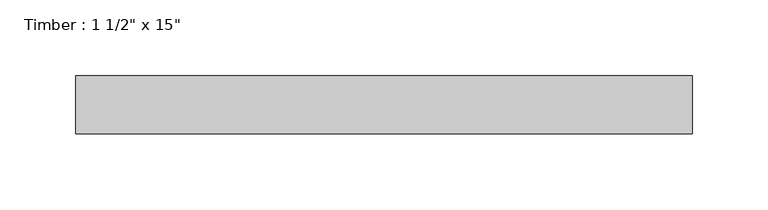
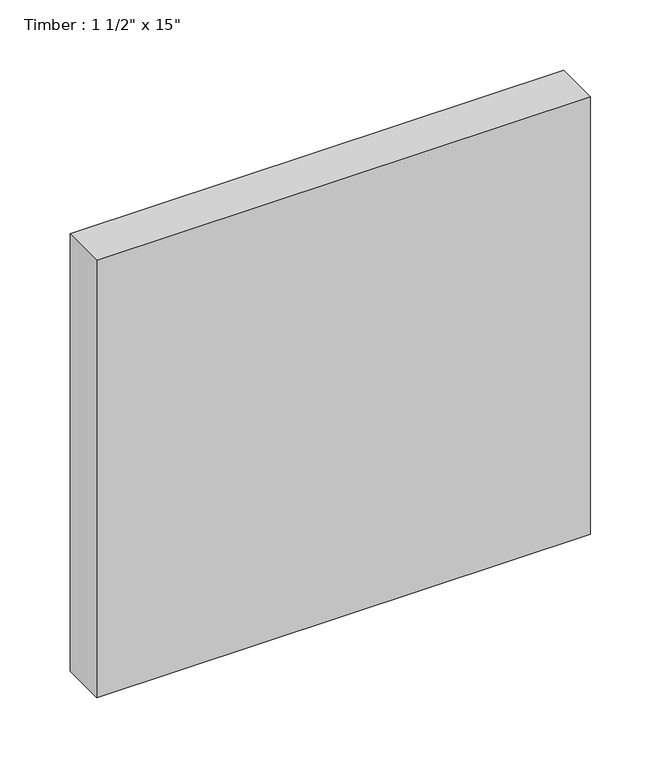
"""IFC4 building model written with IfcOpenShell, lengths in millimetres: beam geometry."""

from ifc_helpers import new_model, si_unit, frame, origin, place, context, project, spatial, polyline, outline, extrude, source, transform, mapped, element, save


def beam_5c58e6b9(model_context):
    return source(origin(), model_context, "Body", "SweptSolid", [
        extrude(outline(polyline([(203.2, 19.05), (203.2, -19.05), (-203.2, -19.05), (-203.2, 19.05), (203.2, 19.05)])), frame((0.0, 0.0, -190.5), z_axis=(0.0, 0.0, 1.0), x_axis=(1.0, 0.0, 0.0)), (0.0, 0.0, 1.0), 381.0),
    ])


if __name__ == "__main__":
    model = new_model("IFC4")
    model_context = context("Model", 3, world=origin())
    ifc_project = project(units=[si_unit("LENGTHUNIT", "METRE", prefix="MILLI")], contexts=[model_context])
    site = spatial("IfcSite", under=ifc_project)
    building = spatial("IfcBuilding", under=site)
    placement = place(None, origin())
    beam_shape = beam_5c58e6b9(model_context)
    element("IfcBeam", 1, ObjectType="Timber : 1 1/2\" x 15\"", at=placement, inside=building, context=model_context, shape_type="MappedRepresentation", body=[
        mapped(beam_shape, transform((0.0, 0.0, 0.0), x_axis=(1.0, 0.0, 0.0), y_axis=(0.0, 1.0, 0.0), z_axis=(0.0, 0.0, 1.0))),
    ])
    save(model, "model.ifc")
